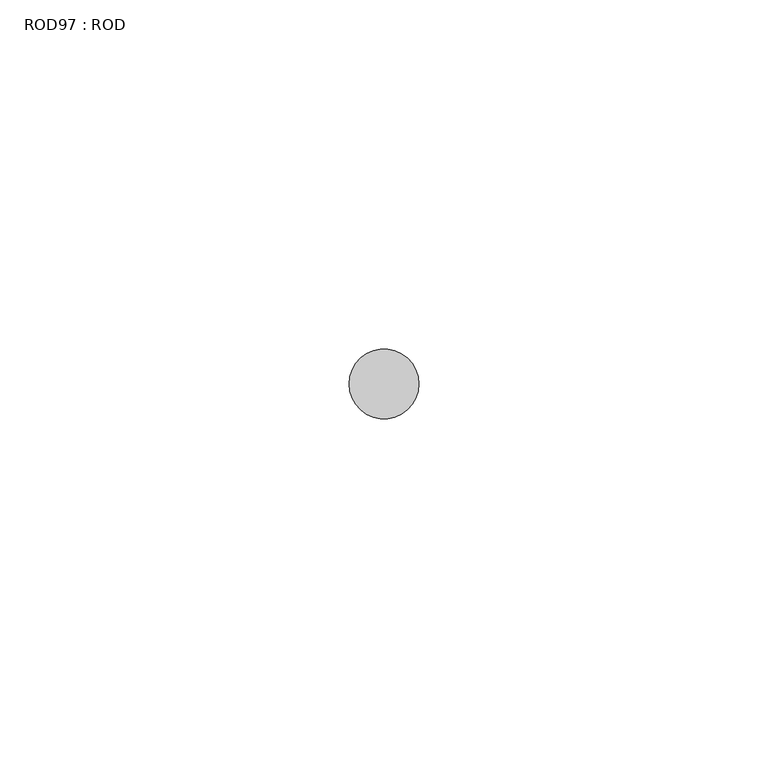
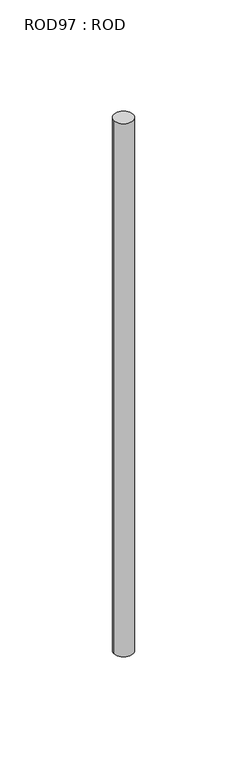
"""IFC4 building model written with IfcOpenShell, lengths in millimetres: proxy geometry, ROD97 : ROD."""

import ifcopenshell
import ifcopenshell.guid

model = None  # the IFC model being written
_history = None  # IfcOwnerHistory: only IFC2X3 demands one
_inside = {}  # id of a spatial element -> (the spatial element, [elements in it])
_under = {}  # id of a project, library or spatial element -> (it, [spatial elements below it])
_declared = {}  # id of a project -> (the project, [libraries it declares])
_typed = {}  # id of a type object -> (the type object, [elements of that type])
_made_of = {}  # id of a material, layer set ... -> (it, [elements and type objects made of it])


def new_model(schema):
    """Start an empty IFC model of exactly this schema.

    Asked for "IFC4X3", IfcOpenShell would pick the latest addendum, in which some entities
    have other attributes; the version numbers below select the first issue.
    IFC2X3 requires an IfcOwnerHistory on every rooted entity: one is made here for all.
    """
    global model, _history
    if schema == "IFC4X3":
        model = ifcopenshell.file(schema_version=(4, 3, 0, 0))
    else:
        model = ifcopenshell.file(schema=schema)
    _inside.clear()
    _under.clear()
    _declared.clear()
    _typed.clear()
    _made_of.clear()
    _history = None
    if model.schema == "IFC2X3":
        org = make("IfcOrganization", Name="unknown")
        user = make(
            "IfcPersonAndOrganization",
            ThePerson=make("IfcPerson", FamilyName="unknown"),
            TheOrganization=org,
        )
        app = make(
            "IfcApplication",
            ApplicationDeveloper=org,
            Version="unknown",
            ApplicationFullName="unknown",
            ApplicationIdentifier="unknown",
        )
        _history = make(
            "IfcOwnerHistory",
            OwningUser=user,
            OwningApplication=app,
            ChangeAction="ADDED",
            CreationDate=0,
        )
    return model


def make(cls, **values):
    """One entity of the class cls with the attributes given. An attribute that is None is left unset."""
    return model.create_entity(
        cls, **{name: value for name, value in values.items() if value is not None}
    )


def rooted(cls, **values):
    """An entity with a GlobalId (a new one), such as an element, a storey or a relation."""
    return make(cls, GlobalId=ifcopenshell.guid.new(), OwnerHistory=_history, **values)


def si_unit(unit_type, name, prefix=None):
    """IfcSIUnit, for example si_unit("LENGTHUNIT", "METRE", prefix="MILLI")."""
    return make("IfcSIUnit", UnitType=unit_type, Prefix=prefix, Name=name)


def assignment(units):
    """IfcUnitAssignment: the units of a project."""
    return None if units is None else make("IfcUnitAssignment", Units=units)


def point(xyz):
    """IfcCartesianPoint."""
    return None if xyz is None else make("IfcCartesianPoint", Coordinates=xyz)


def direction(xyz):
    """IfcDirection."""
    return None if xyz is None else make("IfcDirection", DirectionRatios=xyz)


def frame(location, z_axis=None, x_axis=None):
    """IfcAxis2Placement3D, a coordinate frame: its origin and axes. An axis left out is left unset."""
    return make(
        "IfcAxis2Placement3D",
        Location=point(location),
        Axis=direction(z_axis),
        RefDirection=direction(x_axis),
    )


def frame_2d(location, x_axis=None):
    """IfcAxis2Placement2D, a coordinate frame in the plane: its origin and x axis."""
    return make(
        "IfcAxis2Placement2D", Location=point(location), RefDirection=direction(x_axis)
    )


def origin():
    """The frame at (0, 0, 0) with its axes left unset."""
    return frame((0.0, 0.0, 0.0))


def place(relative_to, where):
    """IfcLocalPlacement: puts the frame where relative to a parent placement (None: the world)."""
    return make(
        "IfcLocalPlacement", PlacementRelTo=relative_to, RelativePlacement=where
    )


def context(
    kind, dimensions, precision=None, world=None, true_north=None, identifier=None
):
    """IfcGeometricRepresentationContext, for example the 3D "Model" context."""
    return make(
        "IfcGeometricRepresentationContext",
        ContextIdentifier=identifier,
        ContextType=kind,
        CoordinateSpaceDimension=dimensions,
        Precision=precision,
        WorldCoordinateSystem=world,
        TrueNorth=true_north,
    )


def project(units=None, contexts=None):
    """IfcProject with its units and contexts."""
    return rooted(
        "IfcProject",
        Name="project",
        RepresentationContexts=contexts,
        UnitsInContext=assignment(units),
    )


def spatial(cls, under=None, at=None, **own):
    """A site, building, storey or space (cls), placed at a placement, below another one or the project."""
    s = rooted(cls, ObjectPlacement=at, **own)
    if under is not None:
        _under.setdefault(under.id(), (under, []))[1].append(s)
    return s


def circle_curve(where, radius):
    """IfcCircle in the frame where."""
    return make("IfcCircle", Position=where, Radius=radius)


def trimmed(basis, trim1, trim2, sense, master):
    """IfcTrimmedCurve: the piece of a basis curve between two trims."""
    return make(
        "IfcTrimmedCurve",
        BasisCurve=basis,
        Trim1=trim1,
        Trim2=trim2,
        SenseAgreement=sense,
        MasterRepresentation=master,
    )


def segment(curve, same_sense, transition):
    """IfcCompositeCurveSegment."""
    return make(
        "IfcCompositeCurveSegment",
        Transition=transition,
        SameSense=same_sense,
        ParentCurve=curve,
    )


def composite_curve(segments, self_intersect=None):
    """IfcCompositeCurve: segments joined end to end."""
    return make("IfcCompositeCurve", Segments=segments, SelfIntersect=self_intersect)


def outline(outer, holes=None, kind="AREA"):
    """IfcArbitraryClosedProfileDef: a profile drawn as a closed curve; with holes, ...WithVoids."""
    if holes is None:
        return make("IfcArbitraryClosedProfileDef", ProfileType=kind, OuterCurve=outer)
    return make(
        "IfcArbitraryProfileDefWithVoids",
        ProfileType=kind,
        OuterCurve=outer,
        InnerCurves=holes,
    )


def extrude(swept, where, along, depth):
    """IfcExtrudedAreaSolid: the profile swept, set in the frame where, extruded along a direction by depth."""
    return make(
        "IfcExtrudedAreaSolid",
        SweptArea=swept,
        Position=where,
        ExtrudedDirection=direction(along),
        Depth=depth,
    )


def shape(context_of_items, identifier, shape_type, items):
    """IfcShapeRepresentation: the items that make up one representation, for example the "Body"."""
    return make(
        "IfcShapeRepresentation",
        ContextOfItems=context_of_items,
        RepresentationIdentifier=identifier,
        RepresentationType=shape_type,
        Items=items,
    )


def source(mapping_origin, context_of_items, identifier, shape_type, items):
    """IfcRepresentationMap: a shape defined once, which mapped items show again and again."""
    return make(
        "IfcRepresentationMap",
        MappingOrigin=mapping_origin,
        MappedRepresentation=shape(context_of_items, identifier, shape_type, items),
    )


def transform(
    local_origin,
    x_axis=None,
    y_axis=None,
    z_axis=None,
    scale=None,
    scale2=None,
    scale3=None,
    uniform=True,
):
    """IfcCartesianTransformationOperator3D, or its non-uniform kind. x_axis, y_axis, z_axis: its Axis1, 2, 3."""
    if uniform:
        return make(
            "IfcCartesianTransformationOperator3D",
            Axis1=direction(x_axis),
            Axis2=direction(y_axis),
            LocalOrigin=point(local_origin),
            Scale=scale,
            Axis3=direction(z_axis),
        )
    return make(
        "IfcCartesianTransformationOperator3DnonUniform",
        Axis1=direction(x_axis),
        Axis2=direction(y_axis),
        LocalOrigin=point(local_origin),
        Scale=scale,
        Axis3=direction(z_axis),
        Scale2=scale2,
        Scale3=scale3,
    )


def mapped(mapping_source, mapping_target):
    """IfcMappedItem: shows the shape of a source again, moved by a transform."""
    return make(
        "IfcMappedItem", MappingSource=mapping_source, MappingTarget=mapping_target
    )


def made_of(thing, what):
    """Note that an element or type object is made of a material, layer set ...; save() writes the relation."""
    if what is not None:
        _made_of.setdefault(what.id(), (what, []))[1].append(thing)
    return thing


def element(
    cls,
    number,
    at=None,
    inside=None,
    cuts=None,
    type_object=None,
    material=None,
    context=None,
    identifier="Body",
    shape_type=None,
    held_by="IfcProductDefinitionShape",
    body=None,
    shapes=None,
    **own,
):
    """One element of the class cls, such as IfcWall. Its Tag is "e" and its number.

    at: its placement. inside: the storey or other place that contains it. cuts: it is an
    opening in that element (IfcRelVoidsElement). A single representation is given by context,
    identifier, shape_type and body (its items); several are given by shapes. held_by: the class
    of the entity that holds the representations. save() writes the other relations.
    """
    e = rooted(cls, Tag="e%d" % number, ObjectPlacement=at, **own)
    if body is not None:
        shapes = [shape(context, identifier, shape_type, body)]
    if shapes is not None:
        e.Representation = make(held_by, Representations=shapes)
    if inside is not None:
        _inside.setdefault(inside.id(), (inside, []))[1].append(e)
    if cuts is not None:
        rooted(
            "IfcRelVoidsElement", RelatingBuildingElement=cuts, RelatedOpeningElement=e
        )
    if type_object is not None:
        _typed.setdefault(type_object.id(), (type_object, []))[1].append(e)
    return made_of(e, material)


def aggregate(whole, parts):
    """IfcRelAggregates: a whole, such as a stair, and the parts it consists of."""
    return rooted("IfcRelAggregates", RelatingObject=whole, RelatedObjects=parts)


def save(model, path):
    """Write the relations noted so far, then the file.

    IfcRelAggregates (storeys below a building ...), IfcRelContainedInSpatialStructure (elements
    in a storey), IfcRelDefinesByType, IfcRelAssociatesMaterial and IfcRelDeclares: one each for
    every whole, place, type object, material and project.
    """
    for whole, parts in _under.values():
        aggregate(whole, parts)
    for where, things in _inside.values():
        rooted(
            "IfcRelContainedInSpatialStructure",
            RelatedElements=things,
            RelatingStructure=where,
        )
    for kind, things in _typed.values():
        rooted("IfcRelDefinesByType", RelatedObjects=things, RelatingType=kind)
    for what, things in _made_of.values():
        rooted("IfcRelAssociatesMaterial", RelatedObjects=things, RelatingMaterial=what)
    for by, libraries in _declared.values():
        rooted("IfcRelDeclares", RelatingContext=by, RelatedDefinitions=libraries)
    model.write(path)


def rod97_rod_6722f3a9(model_context):
    return source(origin(), model_context, "Body", "SweptSolid", [
        extrude(outline(composite_curve([segment(trimmed(circle_curve(frame_2d((-3207.2215616, -12414.6300853)), 5.0), [point((-3212.2215616, -12414.6300853))], [point((-3202.2215616, -12414.6300853))], False, "CARTESIAN"), True, "CONTINUOUS"), segment(trimmed(circle_curve(frame_2d((-3207.2215616, -12414.6300853)), 5.0), [point((-3202.2215616, -12414.6300853))], [point((-3212.2215616, -12414.6300853))], False, "CARTESIAN"), True, "CONTINUOUS")], self_intersect=False)), frame((0.0, 0.0, -208.6608845), z_axis=(0.0, 0.0, 1.0), x_axis=(1.0, 0.0, 0.0)), (0.0, 0.0, 1.0), 298.9028972),
    ])


if __name__ == "__main__":
    model = new_model("IFC4")
    model_context = context("Model", 3, world=origin())
    ifc_project = project(units=[si_unit("LENGTHUNIT", "METRE", prefix="MILLI")], contexts=[model_context])
    site = spatial("IfcSite", under=ifc_project)
    building = spatial("IfcBuilding", under=site)
    placement = place(None, origin())
    rod97_rod_shape = rod97_rod_6722f3a9(model_context)
    element("IfcBuildingElementProxy", 1, Name="ROD97 : ROD", ObjectType="ROD97 : ROD", at=placement, inside=building, context=model_context, shape_type="MappedRepresentation", body=[
        mapped(rod97_rod_shape, transform((0.0, 0.0, 0.0), x_axis=(1.0, 0.0, 0.0), y_axis=(0.0, 1.0, 0.0), z_axis=(0.0, 0.0, 1.0))),
    ])
    save(model, "model.ifc")
